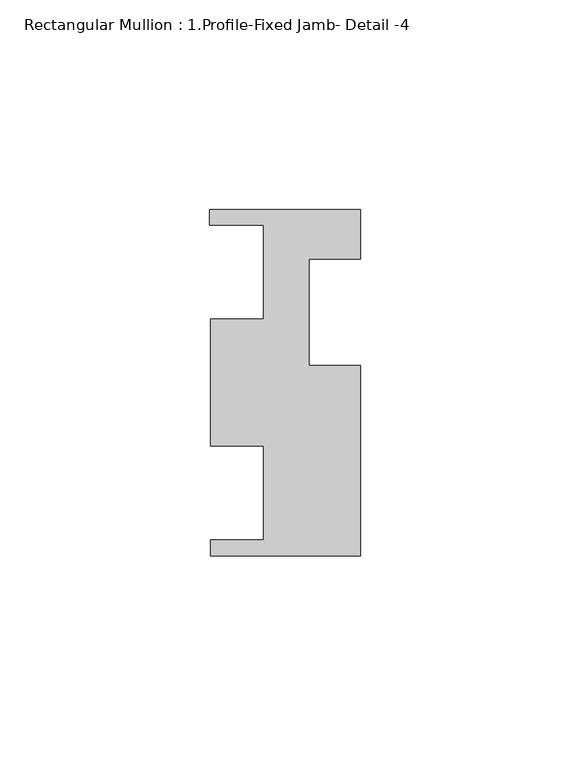
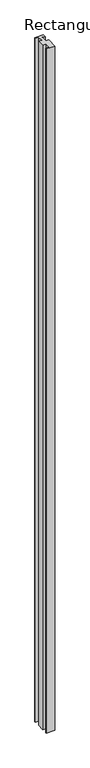
"""IFC4 building model written with IfcOpenShell, lengths in millimetres: member geometry, Rectangular Mullion : 1.Profile-Fixed Jamb- Detail -4."""

from ifc_helpers import new_model, si_unit, frame, origin, place, context, project, spatial, polyline, outline, extrude, source, transform, mapped, element, save


def rectangular_mullion_1_profile_fixed_jamb_detail_4_70561276(model_context):
    return source(origin(), model_context, "Body", "SweptSolid", [
        extrude(outline(polyline([(-35.9918, 41.2876731), (0.0, 41.2876731), (0.0, 29.4512731), (-12.2174, 29.4512731), (-12.2174, 4.0512731), (0.0, 4.0512731), (0.0, -41.2623269), (-35.7632, -41.2623269), (-35.7632, -37.5285269), (-23.0632, -37.5285269), (-23.0632, -15.1511269), (-35.7632, -15.1511269), (-35.7632, 15.1764731), (-23.0632, 15.1764731), (-23.0632, 37.5538731), (-35.9918, 37.5538731), (-35.9918, 41.2876731)])), frame((0.0, 0.0, -3048.0), z_axis=(0.0, 0.0, 1.0), x_axis=(1.0, 0.0, 0.0)), (0.0, 0.0, 1.0), 3048.0),
    ])


if __name__ == "__main__":
    model = new_model("IFC4")
    model_context = context("Model", 3, world=origin())
    ifc_project = project(units=[si_unit("LENGTHUNIT", "METRE", prefix="MILLI")], contexts=[model_context])
    site = spatial("IfcSite", under=ifc_project)
    building = spatial("IfcBuilding", under=site)
    placement = place(None, origin())
    rectangular_mullion_1_profile_fixed_jamb_detail_4_shape = rectangular_mullion_1_profile_fixed_jamb_detail_4_70561276(model_context)
    element("IfcMember", 1, ObjectType="Rectangular Mullion : 1.Profile-Fixed Jamb- Detail -4", at=placement, inside=building, context=model_context, shape_type="MappedRepresentation", body=[
        mapped(rectangular_mullion_1_profile_fixed_jamb_detail_4_shape, transform((0.0, 0.0, 0.0), x_axis=(1.0, 0.0, 0.0), y_axis=(0.0, 1.0, 0.0), z_axis=(0.0, 0.0, 1.0))),
    ])
    save(model, "model.ifc")
